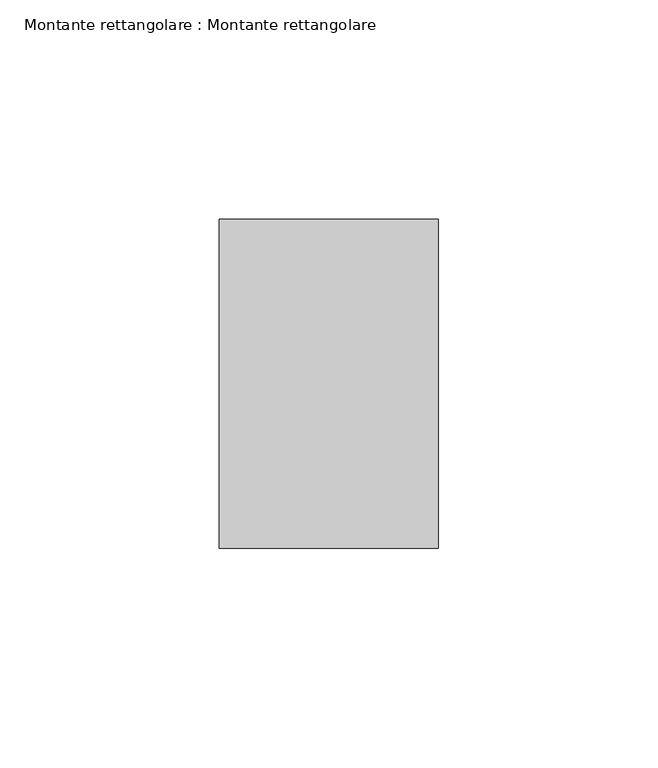
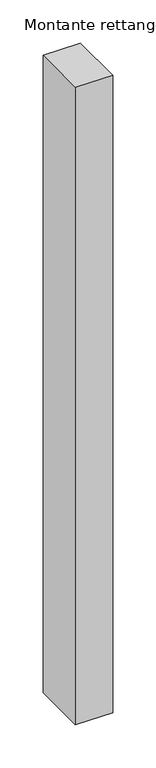
"""IFC4 building model written with IfcOpenShell, lengths in millimetres: member geometry, Montante rettangolare : Montante rettangolare."""

from ifc_helpers import new_model, si_unit, frame, origin, place, context, project, spatial, polyline, outline, extrude, source, transform, mapped, element, save


def montante_rettangolare_montante_rettangolare_316184cf(model_context):
    return source(origin(), model_context, "Body", "SweptSolid", [
        extrude(outline(polyline([(25.0, 37.5), (25.0, -37.5), (-25.0, -37.5), (-25.0, 37.5), (25.0, 37.5)])), frame((0.0, 0.0, -905.0), z_axis=(0.0, 0.0, 1.0), x_axis=(1.0, 0.0, 0.0)), (0.0, 0.0, 1.0), 905.0),
    ])


if __name__ == "__main__":
    model = new_model("IFC4")
    model_context = context("Model", 3, world=origin())
    ifc_project = project(units=[si_unit("LENGTHUNIT", "METRE", prefix="MILLI")], contexts=[model_context])
    site = spatial("IfcSite", under=ifc_project)
    building = spatial("IfcBuilding", under=site)
    placement = place(None, origin())
    montante_rettangolare_montante_rettangolare_shape = montante_rettangolare_montante_rettangolare_316184cf(model_context)
    element("IfcMember", 1, ObjectType="Montante rettangolare : Montante rettangolare", at=placement, inside=building, context=model_context, shape_type="MappedRepresentation", body=[
        mapped(montante_rettangolare_montante_rettangolare_shape, transform((0.0, 0.0, 0.0), x_axis=(1.0, 0.0, 0.0), y_axis=(0.0, 1.0, 0.0), z_axis=(0.0, 0.0, 1.0))),
    ])
    save(model, "model.ifc")
